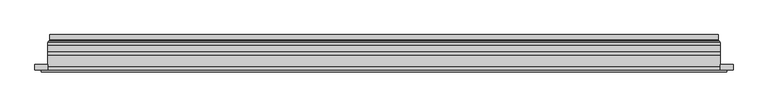
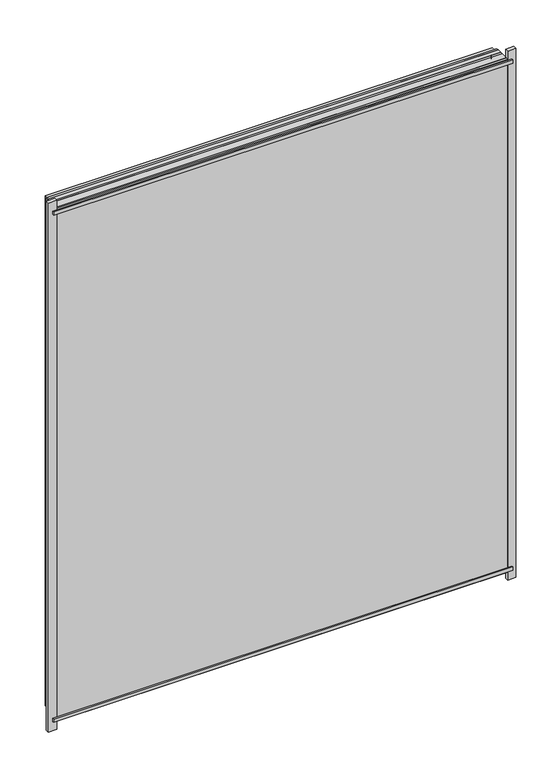
"""IFC4 building model written with IfcOpenShell, lengths in millimetres: plate geometry."""

from ifc_helpers import new_model, si_unit, frame, origin, place, context, project, spatial, polyline, ellipse_curve, outline, extrude, source, transform, mapped, element, save
from ifc_brep_helpers import plane_surface, cylinder_surface, revolved_surface, advanced_brep


def plate_db819f12(model_context):
    return source(origin(), model_context, "Body", "SolidModel", [
        extrude(outline(polyline([(28.0, -591.5), (28.0, 591.5), (1461.0000001, 591.5), (1461.0000001, -591.5), (28.0, -591.5)]), holes=[polyline([(33.0, 586.5), (33.0, -586.5), (1456.0000001, -586.5), (1456.0000001, 586.5), (33.0, 586.5)])]), frame((0.0, 0.0, 0.0), z_axis=(0.0, 1.0, 0.0), x_axis=(0.0, 0.0, 1.0)), (0.0, 0.0, 1.0), 12.0),
        extrude(outline(polyline([(6.0, -613.5), (6.0, 613.5), (1483.0000001, 613.5), (1483.0000001, -613.5), (6.0, -613.5)]), holes=[polyline([(28.0, 591.5), (28.0, -591.5), (1461.0000001, -591.5), (1461.0000001, 591.5), (28.0, 591.5)])]), frame((0.0, -26.0, 0.0), z_axis=(0.0, 1.0, 0.0), x_axis=(0.0, 0.0, 1.0)), (0.0, 0.0, 1.0), 20.0),
        extrude(outline(polyline([(6.0, -613.5), (6.0, 613.5), (1483.0000001, 613.5), (1483.0000001, -613.5), (6.0, -613.5)]), holes=[polyline([(28.0, 591.5), (28.0, -591.5), (1461.0000001, -591.5), (1461.0000001, 591.5), (28.0, 591.5)])]), frame((0.0, -26.0, 0.0), z_axis=(0.0, 1.0, 0.0), x_axis=(0.0, 0.0, 1.0)), (0.0, 0.0, 1.0), 20.0),
        extrude(outline(polyline([(613.5, -6.0), (-613.5, -6.0), (-613.5, 0.0), (613.5, 0.0), (613.5, -6.0)])), frame((0.0, 0.0, 6.0), z_axis=(0.0, 0.0, 1.0), x_axis=(1.0, 0.0, 0.0)), (0.0, 0.0, 1.0), 1477.0000001),
        extrude(outline(polyline([(625.0, -36.0), (-625.0, -36.0), (-625.0, -32.0), (625.0, -32.0), (625.0, -36.0)])), frame((0.0, 0.0, 1469.5000001), z_axis=(0.0, 0.0, 1.0), x_axis=(1.0, 0.0, 0.0)), (0.0, 0.0, 1.0), 10.0),
        extrude(outline(polyline([(625.0, -36.0), (-625.0, -36.0), (-625.0, -32.0), (625.0, -32.0), (625.0, -36.0)])), frame((0.0, 0.0, 9.5), z_axis=(0.0, 0.0, 1.0), x_axis=(1.0, 0.0, 0.0)), (0.0, 0.0, 1.0), 10.0),
        extrude(outline(polyline([(-636.5, -32.0), (-636.5, -22.51), (-613.5, -22.51), (-613.5, -32.0), (-636.5, -32.0)])), frame((0.0, 0.0, -17.0), z_axis=(0.0, 0.0, 1.0), x_axis=(1.0, 0.0, 0.0)), (0.0, 0.0, 1.0), 1523.0000001),
        extrude(outline(polyline([(636.5, -32.0), (613.5, -32.0), (613.5, -22.51), (636.5, -22.51), (636.5, -32.0)])), frame((0.0, 0.0, -17.0), z_axis=(0.0, 0.0, 1.0), x_axis=(1.0, 0.0, 0.0)), (0.0, 0.0, 1.0), 1523.0000001),
        extrude(outline(polyline([(6.0, -613.5), (6.0, 613.5), (1483.0000001, 613.5), (1483.0000001, -613.5), (6.0, -613.5)]), holes=[polyline([(28.0, 591.5), (28.0, -591.5), (1461.0000001, -591.5), (1461.0000001, 591.5), (28.0, 591.5)])]), frame((0.0, 0.0, 0.0), z_axis=(0.0, 1.0, 0.0), x_axis=(0.0, 0.0, 1.0)), (0.0, 0.0, 1.0), 12.0),
        extrude(outline(polyline([(28.0, -591.5), (28.0, 591.5), (1461.0000001, 591.5), (1461.0000001, -591.5), (28.0, -591.5)]), holes=[polyline([(33.0, 586.5), (33.0, -586.5), (1456.0000001, -586.5), (1456.0000001, 586.5), (33.0, 586.5)])]), frame((0.0, -26.0, 0.0), z_axis=(0.0, 1.0, 0.0), x_axis=(0.0, 0.0, 1.0)), (0.0, 0.0, 1.0), 20.0),
        extrude(outline(polyline([(613.5, 18.0), (613.5, 12.0), (-613.5, 12.0), (-613.5, 18.0), (613.5, 18.0)])), frame((0.0, 0.0, 6.0), z_axis=(0.0, 0.0, 1.0), x_axis=(1.0, 0.0, 0.0)), (0.0, 0.0, 1.0), 1477.0000001),
        extrude(outline(polyline([(-613.5, -32.0), (-613.5, -26.0), (613.5, -26.0), (613.5, -32.0), (-613.5, -32.0)])), frame((0.0, 0.0, 6.0), z_axis=(0.0, 0.0, 1.0), x_axis=(1.0, 0.0, 0.0)), (0.0, 0.0, 1.0), 1477.0000001),
        advanced_brep(
        [(600.0000103, 32.0, 19.4999897), (-600.0000103, 32.0, 19.4999897), (-600.0000103, 21.9110895, 19.4999897), (600.0000103, 21.9110895, 19.4999897), (608.9986526, 23.3044663, 10.5013474), (-608.9986526, 23.3044663, 10.5013474), (-608.9986526, 32.0, 10.5013474), (608.9986526, 32.0, 10.5013474), (610.6689727, 20.9442833, 8.8310273), (-610.6689727, 20.9442833, 8.8310273), (610.2544044, 18.0034569, 9.2455956), (-610.2544044, 18.0034569, 9.2455956), (599.0620948, 20.2163959, 20.4379052), (-599.0620948, 20.2163959, 20.4379052), (-599.6992268, 18.0000006, 19.8007732), (599.6992268, 18.0000006, 19.8007732), (-600.0000103, 32.0, 1469.5000104), (-600.0000103, 21.9110895, 1469.5000104), (-608.9986526, 23.3044663, 1478.4986527), (-608.9986526, 32.0, 1478.4986527), (-610.6689727, 20.9442833, 1480.1689729), (-610.2544044, 18.0034569, 1479.7544045), (-599.0620948, 20.2163959, 1468.5620949), (-599.6992268, 18.0000006, 1469.1992269), (600.0000103, 32.0, 1469.5000104), (600.0000103, 21.9110895, 1469.5000104), (608.9986526, 23.3044663, 1478.4986527), (608.9986526, 32.0, 1478.4986527), (610.6689727, 20.9442833, 1480.1689729), (610.2544044, 18.0034569, 1479.7544045), (599.0620948, 20.2163959, 1468.5620949), (599.6992268, 18.0000006, 1469.1992269)],
        [
            (0, 1),
            (1, 2),
            (2, 3),
            (3, 0),
            (4, 5),
            (5, 6),
            (6, 7),
            (7, 4),
            (8, 9),
            (9, 5, ellipse_curve(frame((-611.3086832, 23.1681522, 8.1913168), z_axis=(-0.7071067811865475, 0.0, 0.7071067811865475), x_axis=(-0.7071067811865476, 0.0, -0.7071067811865474)), 3.2725594, 2.314049)),
            (4, 8, ellipse_curve(frame((611.3086832, 23.1681522, 8.1913168), z_axis=(0.7071067811865475, 0.0, 0.7071067811865475), x_axis=(-0.7071067811865476, 0.0, 0.7071067811865474)), 3.2725594, 2.314049)),
            (10, 11),
            (11, 9, ellipse_curve(frame((-610.2544044, 19.5030909, 9.2455956), z_axis=(0.7071067811865475, 0.0, -0.7071067811865475), x_axis=(0.7071067811865476, 0.0, 0.7071067811865474)), 2.1208028, 1.4996341)),
            (8, 10, ellipse_curve(frame((610.2544044, 19.5030909, 9.2455956), z_axis=(-0.7071067811865475, 0.0, -0.7071067811865475), x_axis=(0.7071067811865476, 0.0, -0.7071067811865474)), 2.1208028, 1.4996341)),
            (12, 13),
            (13, 14, ellipse_curve(frame((-599.6992268, 19.1997743, 19.8007732), z_axis=(0.7071067811865475, 0.0, -0.7071067811865475), x_axis=(0.7071067811865476, 0.0, 0.7071067811865474)), 1.6967361, 1.1997736)),
            (14, 15),
            (15, 12, ellipse_curve(frame((599.6992268, 19.1997743, 19.8007732), z_axis=(-0.7071067811865475, 0.0, -0.7071067811865475), x_axis=(0.7071067811865476, 0.0, -0.7071067811865474)), 1.6967361, 1.1997736)),
            (2, 13, ellipse_curve(frame((-598.0000051, 21.9110895, 21.4999949), z_axis=(-0.7071067811865475, 0.0, 0.7071067811865475), x_axis=(-0.7071067811865476, 0.0, -0.7071067811865474)), 2.8284345, 2.0000052)),
            (12, 3, ellipse_curve(frame((598.0000051, 21.9110895, 21.4999949), z_axis=(0.7071067811865475, 0.0, 0.7071067811865475), x_axis=(-0.7071067811865476, 0.0, 0.7071067811865474)), 2.8284345, 2.0000052)),
            (1, 16),
            (16, 17),
            (17, 2),
            (5, 18),
            (18, 19),
            (19, 6),
            (9, 20),
            (20, 18, ellipse_curve(frame((-611.3086832, 23.1681522, 1480.8086833), z_axis=(0.7071067811865475, 0.0, 0.7071067811865475), x_axis=(-0.7071067811865474, 0.0, 0.7071067811865476)), 3.2725594, 2.314049)),
            (11, 21),
            (21, 20, ellipse_curve(frame((-610.2544044, 19.5030909, 1479.7544045), z_axis=(-0.7071067811865475, 0.0, -0.7071067811865475), x_axis=(0.7071067811865474, 0.0, -0.7071067811865476)), 2.1208028, 1.4996341)),
            (13, 22),
            (22, 23, ellipse_curve(frame((-599.6992268, 19.1997743, 1469.1992269), z_axis=(-0.7071067811865475, 0.0, -0.7071067811865475), x_axis=(0.7071067811865474, 0.0, -0.7071067811865476)), 1.6967361, 1.1997736)),
            (23, 14),
            (17, 22, ellipse_curve(frame((-598.0000051, 21.9110895, 1467.5000052), z_axis=(0.7071067811865475, 0.0, 0.7071067811865475), x_axis=(-0.7071067811865474, 0.0, 0.7071067811865476)), 2.8284345, 2.0000052)),
            (16, 24),
            (24, 25),
            (25, 17),
            (18, 26),
            (26, 27),
            (27, 19),
            (20, 28),
            (28, 26, ellipse_curve(frame((611.3086832, 23.1681522, 1480.8086833), z_axis=(0.7071067811865475, 0.0, -0.7071067811865475), x_axis=(0.7071067811865476, 0.0, 0.7071067811865474)), 3.2725594, 2.314049)),
            (21, 29),
            (29, 28, ellipse_curve(frame((610.2544044, 19.5030909, 1479.7544045), z_axis=(-0.7071067811865475, 0.0, 0.7071067811865475), x_axis=(-0.7071067811865476, 0.0, -0.7071067811865474)), 2.1208028, 1.4996341)),
            (22, 30),
            (30, 31, ellipse_curve(frame((599.6992268, 19.1997743, 1469.1992269), z_axis=(-0.7071067811865475, 0.0, 0.7071067811865475), x_axis=(-0.7071067811865476, 0.0, -0.7071067811865474)), 1.6967361, 1.1997736)),
            (31, 23),
            (25, 30, ellipse_curve(frame((598.0000051, 21.9110895, 1467.5000052), z_axis=(0.7071067811865475, 0.0, -0.7071067811865475), x_axis=(0.7071067811865476, 0.0, 0.7071067811865474)), 2.8284345, 2.0000052)),
            (24, 0),
            (3, 25),
            (26, 4),
            (7, 27),
            (28, 8),
            (29, 10),
            (31, 15),
            (30, 12),
        ],
        [
            plane_surface(frame((600.0000103, 21.9110895, 19.4999897), z_axis=(0.0, 0.0, 1.0), x_axis=(-1.0, 0.0, 0.0))),
            plane_surface(frame((608.9986526, 32.0, 10.5013474), z_axis=(0.0, 0.0, -1.0), x_axis=(-1.0, 0.0, 0.0))),
            revolved_surface(polyline([(-613.6227321435756, 25.482201200000002, 8.1913168), (613.6227321435758, 25.482201200000002, 8.1913168)]), (600.0, 23.1681522, 8.1913168), (-1.0, 0.0, 0.0)),
            cylinder_surface(frame((600.0, 19.5030909, 9.2455956), z_axis=(1.0, 0.0, 0.0), x_axis=(0.0, 1.0, 0.0)), 1.4996341),
            cylinder_surface(frame((600.0, 19.1997743, 19.8007732), z_axis=(1.0, 0.0, 0.0), x_axis=(0.0, 1.0, 0.0)), 1.1997736),
            revolved_surface(polyline([(-600.0000103150919, 23.9110947, 21.4999949), (600.0000103150919, 23.9110947, 21.4999949)]), (600.0, 21.9110895, 21.4999949), (-1.0, 0.0, 0.0)),
            plane_surface(frame((-600.0000103, 21.9110895, 19.4999897), z_axis=(1.0, 0.0, 0.0), x_axis=(0.0, 0.0, 1.0))),
            plane_surface(frame((-608.9986526, 32.0, 10.5013474), z_axis=(-1.0, 0.0, 0.0), x_axis=(0.0, 0.0, 1.0))),
            revolved_surface(polyline([(-611.3086832, 25.482201200000002, 1483.1227322435757), (-611.3086832, 25.482201200000002, 5.87726785642422)]), (-611.3086832, 23.1681522, 19.5), (0.0, 0.0, 1.0)),
            cylinder_surface(frame((-610.2544044, 19.5030909, 19.5), z_axis=(0.0, 0.0, -1.0), x_axis=(0.0, 1.0, 0.0)), 1.4996341),
            cylinder_surface(frame((-599.6992268, 19.1997743, 19.5), z_axis=(0.0, 0.0, -1.0), x_axis=(0.0, 1.0, 0.0)), 1.1997736),
            revolved_surface(polyline([(-598.0000051, 23.9110947, 1469.500010415092), (-598.0000051, 23.9110947, 19.49998968490802)]), (-598.0000051, 21.9110895, 19.5), (0.0, 0.0, 1.0)),
            plane_surface(frame((-600.0000103, 21.9110895, 1469.5000104), z_axis=(0.0, 0.0, -1.0), x_axis=(1.0, 0.0, 0.0))),
            plane_surface(frame((-608.9986526, 32.0, 1478.4986527), z_axis=(0.0, 0.0, 1.0), x_axis=(1.0, 0.0, 0.0))),
            revolved_surface(polyline([(613.6227321435756, 25.482201200000002, 1480.8086833), (-613.6227321435758, 25.482201200000002, 1480.8086833)]), (-600.0, 23.1681522, 1480.8086833), (1.0, 0.0, 0.0)),
            cylinder_surface(frame((-600.0, 19.5030909, 1479.7544045), z_axis=(-1.0, 0.0, 0.0), x_axis=(0.0, 1.0, 0.0)), 1.4996341),
            cylinder_surface(frame((-600.0, 19.1997743, 1469.1992269), z_axis=(-1.0, 0.0, 0.0), x_axis=(0.0, 1.0, 0.0)), 1.1997736),
            revolved_surface(polyline([(600.0000103150919, 23.9110947, 1467.5000052), (-600.0000103150919, 23.9110947, 1467.5000052)]), (-600.0, 21.9110895, 1467.5000052), (1.0, 0.0, 0.0)),
            plane_surface(frame((600.0000103, 21.9110895, 1469.5000104), z_axis=(-1.0, 0.0, 0.0), x_axis=(0.0, 0.0, -1.0))),
            plane_surface(frame((608.9986526, 32.0, 1478.4986527), z_axis=(1.0, 0.0, 0.0), x_axis=(0.0, 0.0, -1.0))),
            revolved_surface(polyline([(611.3086832, 25.482201200000002, 5.877267856424396), (611.3086832, 25.482201200000002, 1483.1227322435757)]), (611.3086832, 23.1681522, 1469.5000001), (0.0, 0.0, -1.0)),
            cylinder_surface(frame((610.2544044, 19.5030909, 1469.5000001), z_axis=(0.0, 0.0, 1.0), x_axis=(0.0, 1.0, 0.0)), 1.4996341),
            plane_surface(frame((610.2544044, 18.0000006, 1479.7544045), z_axis=(0.0, -1.0, 0.0), x_axis=(0.0, 0.0, -1.0))),
            cylinder_surface(frame((599.6992268, 19.1997743, 1469.5000001), z_axis=(0.0, 0.0, 1.0), x_axis=(0.0, 1.0, 0.0)), 1.1997736),
            revolved_surface(polyline([(598.0000051, 23.9110947, 19.499989684908087), (598.0000051, 23.9110947, 1469.500010415092)]), (598.0000051, 21.9110895, 1469.5000001), (0.0, 0.0, -1.0)),
            plane_surface(frame((600.0000103, 32.0, 1469.5000104), z_axis=(0.0, 1.0, 0.0), x_axis=(0.0, 0.0, -1.0))),
        ],
        [
            (0, [[1, 2, 3, 4]]),
            (1, [[5, 6, 7, 8]]),
            (2, [[9, 10, -5, 11]]),
            (3, [[12, 13, -9, 14]]),
            (4, [[15, 16, 17, 18]]),
            (5, [[-3, 19, -15, 20]]),
            (6, [[21, 22, 23, -2]]),
            (7, [[24, 25, 26, -6]]),
            (8, [[27, 28, -24, -10]]),
            (9, [[29, 30, -27, -13]]),
            (10, [[31, 32, 33, -16]]),
            (11, [[-23, 34, -31, -19]]),
            (12, [[35, 36, 37, -22]]),
            (13, [[38, 39, 40, -25]]),
            (14, [[41, 42, -38, -28]]),
            (15, [[43, 44, -41, -30]]),
            (16, [[45, 46, 47, -32]]),
            (17, [[-37, 48, -45, -34]]),
            (18, [[49, -4, 50, -36]]),
            (19, [[51, -8, 52, -39]]),
            (20, [[53, -11, -51, -42]]),
            (21, [[54, -14, -53, -44]]),
            (22, [[-12, -54, -43, -29], [-17, -33, -47, 55]]),
            (23, [[56, -18, -55, -46]]),
            (24, [[-50, -20, -56, -48]]),
            (25, [[-7, -26, -40, -52], [-1, -49, -35, -21]]),
        ],
    ),
    ])


if __name__ == "__main__":
    model = new_model("IFC4")
    model_context = context("Model", 3, world=origin())
    ifc_project = project(units=[si_unit("LENGTHUNIT", "METRE", prefix="MILLI")], contexts=[model_context])
    site = spatial("IfcSite", under=ifc_project)
    building = spatial("IfcBuilding", under=site)
    placement = place(None, origin())
    plate_shape = plate_db819f12(model_context)
    element("IfcPlate", 1, at=placement, inside=building, context=model_context, shape_type="MappedRepresentation", body=[
        mapped(plate_shape, transform((0.0, 0.0, 0.0), x_axis=(1.0, 0.0, 0.0), y_axis=(0.0, 1.0, 0.0), z_axis=(0.0, 0.0, 1.0))),
    ])
    save(model, "model.ifc")
